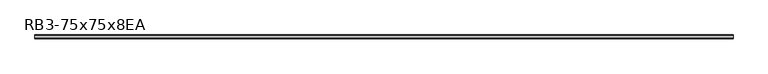
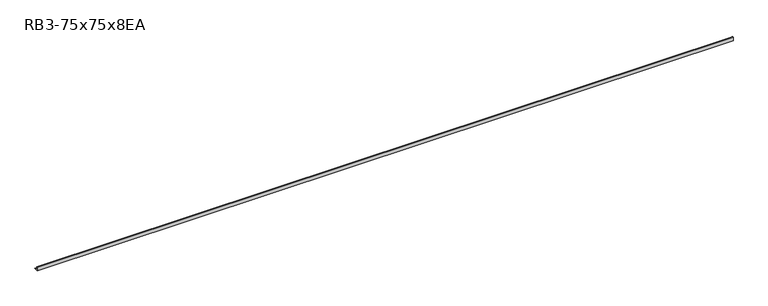
"""IFC4 building model written with IfcOpenShell, lengths in millimetres: member geometry, RB3-75x75x8EA."""

from ifc_helpers import new_model, si_unit, point, frame, frame_2d, origin, place, context, project, spatial, polyline, circle_curve, trimmed, segment, composite_curve, outline, extrude, source, transform, mapped, element, save


def rb3_75x75x8ea_bf78ca20(model_context):
    return source(origin(), model_context, "Body", "SweptSolid", [
        extrude(outline(composite_curve([segment(polyline([(-21.3, -21.3), (-21.3, 53.7), (-18.3, 53.7)]), True, "CONTINUOUS"), segment(trimmed(circle_curve(frame_2d((-18.3, 48.7)), 5.0), [point((-18.3, 53.7))], [point((-13.3, 48.7))], False, "CARTESIAN"), True, "CONTINUOUS"), segment(polyline([(-13.3, 48.7), (-13.3, -5.3)]), True, "CONTINUOUS"), segment(trimmed(circle_curve(frame_2d((-5.3, -5.3)), 8.0), [point((-13.3, -5.3))], [point((-5.3, -13.3))], True, "CARTESIAN"), True, "CONTINUOUS"), segment(polyline([(-5.3, -13.3), (48.7, -13.3)]), True, "CONTINUOUS"), segment(trimmed(circle_curve(frame_2d((48.7, -18.3)), 5.0), [point((48.7, -13.3))], [point((53.7, -18.3))], False, "CARTESIAN"), True, "CONTINUOUS"), segment(polyline([(53.7, -18.3), (53.7, -21.3), (-21.3, -21.3)]), True, "CONTINUOUS")], self_intersect=False)), frame((-6908.5, 0.0, 0.0), z_axis=(1.0, 0.0, 0.0), x_axis=(0.0, 1.0, 0.0)), (0.0, 0.0, 1.0), 13739.0),
    ])


if __name__ == "__main__":
    model = new_model("IFC4")
    model_context = context("Model", 3, world=origin())
    ifc_project = project(units=[si_unit("LENGTHUNIT", "METRE", prefix="MILLI")], contexts=[model_context])
    site = spatial("IfcSite", under=ifc_project)
    building = spatial("IfcBuilding", under=site)
    placement = place(None, origin())
    rb3_75x75x8ea_shape = rb3_75x75x8ea_bf78ca20(model_context)
    element("IfcMember", 1, ObjectType="RB3-75x75x8EA", at=placement, inside=building, context=model_context, shape_type="MappedRepresentation", body=[
        mapped(rb3_75x75x8ea_shape, transform((0.0, 0.0, 0.0), x_axis=(1.0, 0.0, 0.0), y_axis=(0.0, 1.0, 0.0), z_axis=(0.0, 0.0, 1.0))),
    ])
    save(model, "model.ifc")
